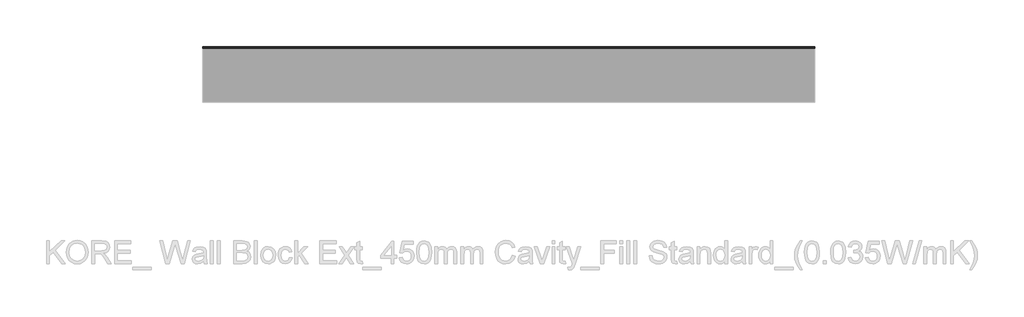
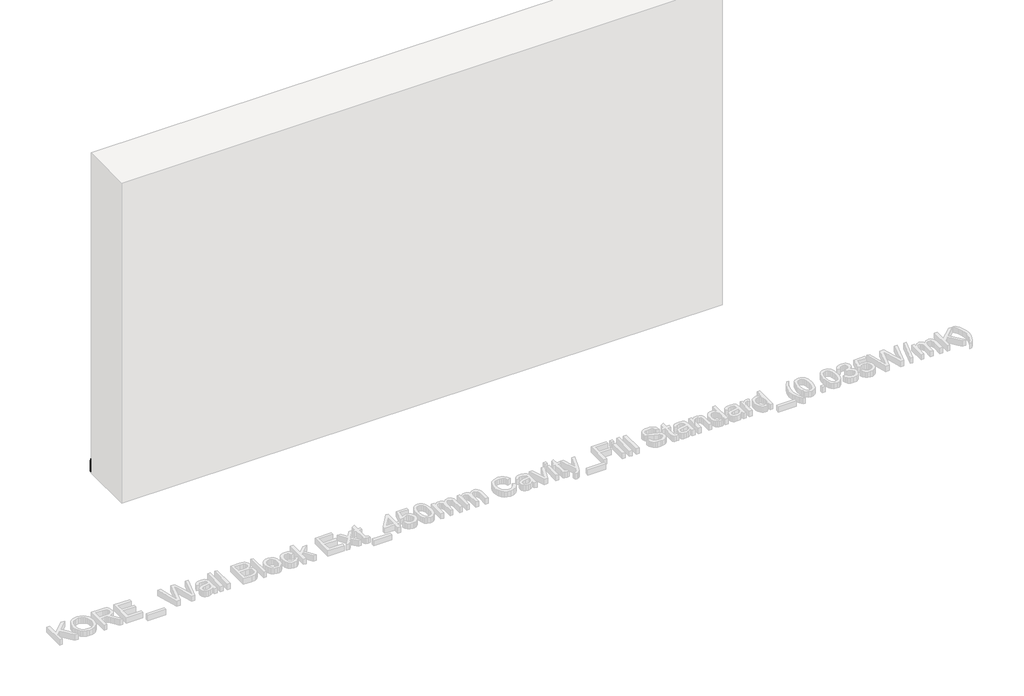
# One storey, part 43 of 60: 1 proxy.
"""IFC4 building model written with IfcOpenShell, lengths in millimetres."""

from ifc_helpers import new_model, si_unit, point, frame, frame_2d, origin, place, context, project, spatial, polyline, circle_curve, trimmed, segment, composite_curve, outline, extrude, element, save

model = new_model("IFC4")

# Units and contexts
model_context = context("Model", 3, world=origin())
ifc_project = project(units=[si_unit("LENGTHUNIT", "METRE", prefix="MILLI")], contexts=[model_context])

# Site, building, storey
site = spatial("IfcSite", under=ifc_project)
building = spatial("IfcBuilding", under=site)
storey = spatial("IfcBuildingStorey", under=building, Elevation=0.0)

# Proxy
placement = place(None, origin())
element("IfcBuildingElementProxy", 1, Name="Wall Sweeps", at=placement, inside=storey, context=model_context, shape_type="SweptSolid", body=[
    extrude(outline(composite_curve([segment(polyline([(6240.4236863, 129.5), (6249.4236863, 129.5), (6249.4236863, 120.2473165)]), True, "CONTINUOUS"), segment(trimmed(circle_curve(frame_2d((6239.8063342, 108.7361681)), 15.0), [point((6249.4236863, 120.2473165))], [point((6254.8063342, 108.7361681))], False, "CARTESIAN"), True, "CONTINUOUS"), segment(polyline([(6254.8063342, 108.7361681), (6254.8063342, 89.9145021), (6258.4236863, 81.1071309), (6258.4236863, 9.5), (6240.4236863, 9.5), (6240.4236863, 129.5)]), True, "CONTINUOUS")], self_intersect=False)), frame((83930.0129216, 0.0, 0.0), z_axis=(1.0, 0.0, 0.0), x_axis=(0.0, 1.0, 0.0)), (0.0, 0.0, 1.0), 5310.0),
])

save(model, "model.ifc")
